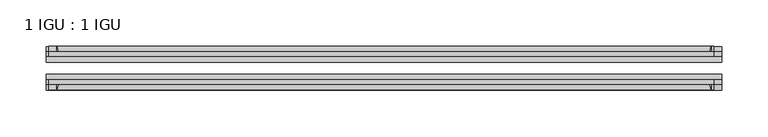
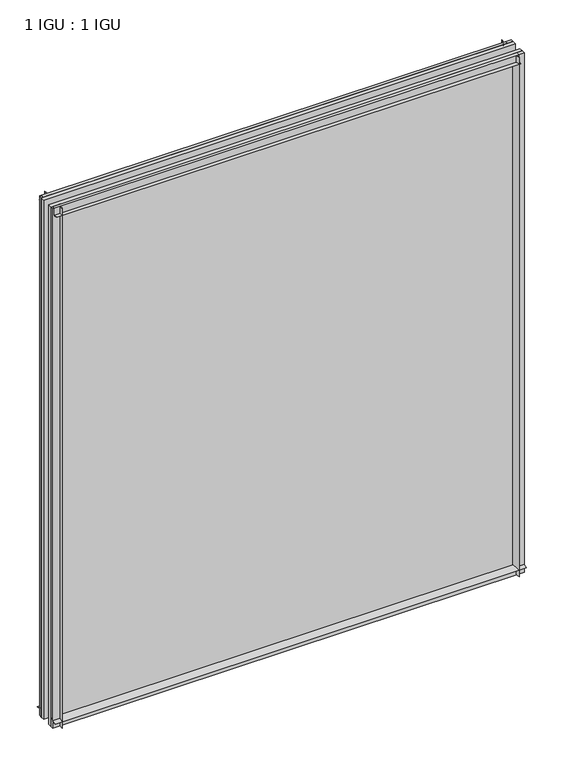
"""IFC4 building model written with IfcOpenShell, lengths in millimetres: plate geometry, 1 IGU : 1 IGU."""

from ifc_helpers import new_model, si_unit, point, frame, frame_2d, origin, place, context, project, spatial, polyline, circle_curve, trimmed, segment, composite_curve, outline, extrude, source, transform, mapped, element, save


def plate_1_igu_1_igu_4960ca6e(model_context):
    return source(origin(), model_context, "Body", "SweptSolid", [
        extrude(outline(composite_curve([segment(trimmed(circle_curve(frame_2d((-28.0741797, 32.2797688)), 32.7673262), [point((-44.45, 3.8979053))], [point((-33.7058, 1.48e-05))], True, "CARTESIAN"), True, "CONTINUOUS"), segment(polyline([(-33.7058, 1.48e-05), (-39.6748, 1.48e-05), (-39.6748, -10.31875), (-44.45, -10.31875), (-44.45, 3.8979053)]), True, "CONTINUOUS")], self_intersect=False)), frame((-363.5375, 0.0, 0.0), z_axis=(1.0, 0.0, 0.0), x_axis=(0.0, 1.0, 0.0)), (0.0, 0.0, 1.0), 727.075),
        extrude(outline(composite_curve([segment(trimmed(circle_curve(frame_2d((-86.2258203, 32.2797602)), 32.7673262), [point((-80.5942354, 0.0))], [point((-69.85, 3.8978967))], True, "CARTESIAN"), True, "CONTINUOUS"), segment(polyline([(-69.85, 3.8978967), (-69.85, -10.31875), (-74.6252, -10.31875), (-74.6252, 0.0), (-80.5942354, 0.0)]), True, "CONTINUOUS")], self_intersect=False)), frame((-363.5375, 0.0, 0.0), z_axis=(1.0, 0.0, 0.0), x_axis=(0.0, 1.0, 0.0)), (0.0, 0.0, 1.0), 727.075),
        extrude(outline(composite_curve([segment(polyline([(-80.5942, 824.70625), (-74.6252, 824.70625), (-74.6252, 835.81875), (-69.85, 835.81875), (-69.85, 820.8083595)]), True, "CONTINUOUS"), segment(trimmed(circle_curve(frame_2d((-86.2258203, 792.426496)), 32.7673262), [point((-69.85, 820.8083595))], [point((-80.5942, 824.70625))], True, "CARTESIAN"), True, "CONTINUOUS")], self_intersect=False)), frame((-360.9377386, 0.0, 0.0), z_axis=(1.0, 0.0, 0.0), x_axis=(0.0, 1.0, 0.0)), (0.0, 0.0, 1.0), 715.9087001),
        extrude(outline(composite_curve([segment(polyline([(-39.6748, 835.81875), (-39.6748, 824.70625), (-33.7058, 824.70625)]), True, "CONTINUOUS"), segment(trimmed(circle_curve(frame_2d((-28.0741797, 792.426496)), 32.7673262), [point((-33.7058, 824.70625))], [point((-44.45, 820.8083595))], True, "CARTESIAN"), True, "CONTINUOUS"), segment(polyline([(-44.45, 820.8083595), (-44.45, 835.81875), (-39.6748, 835.81875)]), True, "CONTINUOUS")], self_intersect=False)), frame((-360.9377386, 0.0, 0.0), z_axis=(1.0, 0.0, 0.0), x_axis=(0.0, 1.0, 0.0)), (0.0, 0.0, 1.0), 715.9087001),
        extrude(outline(composite_curve([segment(polyline([(363.5375, -39.6748), (363.5375, -44.45), (348.5271095, -44.45)]), True, "CONTINUOUS"), segment(trimmed(circle_curve(frame_2d((320.145246, -28.0741797)), 32.7673262), [point((348.5271095, -44.45))], [point((352.425, -33.7058))], True, "CARTESIAN"), True, "CONTINUOUS"), segment(polyline([(352.425, -33.7058), (352.425, -39.6748), (363.5375, -39.6748)]), True, "CONTINUOUS")], self_intersect=False)), frame((0.0, 0.0, -10.31875), z_axis=(0.0, 0.0, 1.0), x_axis=(1.0, 0.0, 0.0)), (0.0, 0.0, 1.0), 846.1375),
        extrude(outline(composite_curve([segment(polyline([(363.5375, -69.85), (363.5375, -74.6252), (352.425, -74.6252), (352.425, -80.5942)]), True, "CONTINUOUS"), segment(trimmed(circle_curve(frame_2d((320.145246, -86.2258203)), 32.7673262), [point((352.425, -80.5942))], [point((348.5271095, -69.85))], True, "CARTESIAN"), True, "CONTINUOUS"), segment(polyline([(348.5271095, -69.85), (363.5375, -69.85)]), True, "CONTINUOUS")], self_intersect=False)), frame((0.0, 0.0, -10.31875), z_axis=(0.0, 0.0, 1.0), x_axis=(1.0, 0.0, 0.0)), (0.0, 0.0, 1.0), 846.1375),
        extrude(outline(composite_curve([segment(polyline([(-363.5375, -39.6748), (-352.425, -39.6748), (-352.425, -33.7058)]), True, "CONTINUOUS"), segment(trimmed(circle_curve(frame_2d((-320.145246, -28.0741797)), 32.7673262), [point((-352.425, -33.7058))], [point((-348.5271095, -44.45))], True, "CARTESIAN"), True, "CONTINUOUS"), segment(polyline([(-348.5271095, -44.45), (-363.5375, -44.45), (-363.5375, -39.6748)]), True, "CONTINUOUS")], self_intersect=False)), frame((0.0, 0.0, -10.31875), z_axis=(0.0, 0.0, 1.0), x_axis=(1.0, 0.0, 0.0)), (0.0, 0.0, 1.0), 846.1375),
        extrude(outline(composite_curve([segment(polyline([(-363.5375, -74.6252), (-363.5375, -69.85), (-348.5271095, -69.85)]), True, "CONTINUOUS"), segment(trimmed(circle_curve(frame_2d((-320.145246, -86.2258203)), 32.7673262), [point((-348.5271095, -69.85))], [point((-352.425, -80.5942))], True, "CARTESIAN"), True, "CONTINUOUS"), segment(polyline([(-352.425, -80.5942), (-352.425, -74.6252), (-363.5375, -74.6252)]), True, "CONTINUOUS")], self_intersect=False)), frame((0.0, 0.0, -10.31875), z_axis=(0.0, 0.0, 1.0), x_axis=(1.0, 0.0, 0.0)), (0.0, 0.0, 1.0), 846.1375),
        extrude(outline(polyline([(-363.5375, -69.85), (-363.5375, -63.5508), (363.5375, -63.5508), (363.5375, -69.85), (-363.5375, -69.85)])), frame((0.0, 0.0, -10.31875), z_axis=(0.0, 0.0, 1.0), x_axis=(1.0, 0.0, 0.0)), (0.0, 0.0, 1.0), 846.1375),
        extrude(outline(polyline([(363.5375, -50.7492), (-363.5375, -50.7492), (-363.5375, -44.45), (363.5375, -44.45), (363.5375, -50.7492)])), frame((0.0, 0.0, -10.31875), z_axis=(0.0, 0.0, 1.0), x_axis=(1.0, 0.0, 0.0)), (0.0, 0.0, 1.0), 846.1375),
    ])


if __name__ == "__main__":
    model = new_model("IFC4")
    model_context = context("Model", 3, world=origin())
    ifc_project = project(units=[si_unit("LENGTHUNIT", "METRE", prefix="MILLI")], contexts=[model_context])
    site = spatial("IfcSite", under=ifc_project)
    building = spatial("IfcBuilding", under=site)
    placement = place(None, origin())
    plate_1_igu_1_igu_shape = plate_1_igu_1_igu_4960ca6e(model_context)
    element("IfcPlate", 1, ObjectType="1 IGU : 1 IGU", at=placement, inside=building, context=model_context, shape_type="MappedRepresentation", body=[
        mapped(plate_1_igu_1_igu_shape, transform((0.0, 0.0, 0.0), x_axis=(1.0, 0.0, 0.0), y_axis=(0.0, 1.0, 0.0), z_axis=(0.0, 0.0, 1.0))),
    ])
    save(model, "model.ifc")
